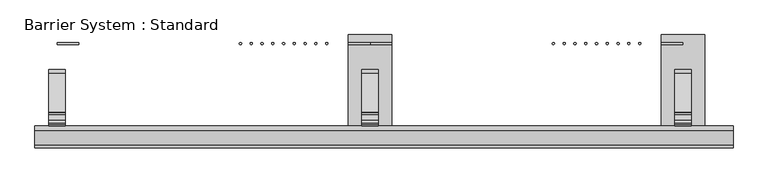
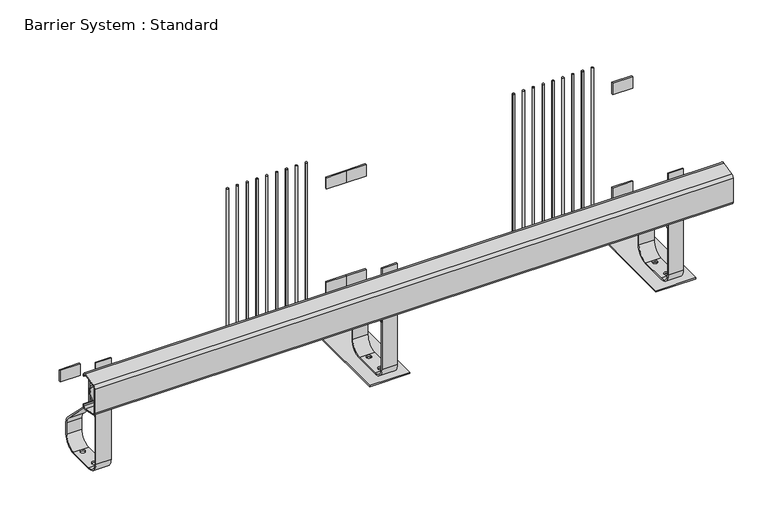
"""IFC4 building model written with IfcOpenShell, lengths in millimetres: proxy geometry, Barrier System : Standard."""

from ifc_helpers import new_model, si_unit, point, frame, frame_2d, origin, origin_with_axes, place, context, project, spatial, polyline, circle_curve, trimmed, segment, composite_curve, outline, extrude, source, transform, mapped, element, save
from ifc_brep_helpers import plane_surface, cylinder_surface, revolved_surface, advanced_brep


def barrier_system_standard_4bf32ca0(model_context):
    return source(origin(), model_context, "Body", "SolidModel", [
        extrude(outline(composite_curve([segment(polyline([(-468.6380344, 563.8404914), (-398.6380344, 581.3404914)]), True, "CONTINUOUS"), segment(trimmed(circle_curve(frame_2d((-395.0, 566.7883539)), 15.0), [point((-398.6380344, 581.3404914))], [point((-380.0, 566.7883539))], False, "CARTESIAN"), True, "CONTINUOUS"), segment(polyline([(-380.0, 566.7883539), (-380.0, 561.0), (-385.0, 561.0), (-385.0, 566.7883539)]), True, "CONTINUOUS"), segment(trimmed(circle_curve(frame_2d((-395.0, 566.7883539)), 10.0), [point((-385.0, 566.7883539))], [point((-397.4253563, 576.4897789))], True, "CARTESIAN"), True, "CONTINUOUS"), segment(polyline([(-397.4253563, 576.4897789), (-467.4253563, 558.9897789)]), True, "CONTINUOUS"), segment(trimmed(circle_curve(frame_2d((-465.0, 549.2883539)), 10.0), [point((-467.4253563, 558.9897789))], [point((-475.0, 549.2883539))], True, "CARTESIAN"), True, "CONTINUOUS"), segment(polyline([(-475.0, 549.2883539), (-475.0, 422.7116461)]), True, "CONTINUOUS"), segment(trimmed(circle_curve(frame_2d((-465.0, 422.7116461)), 10.0), [point((-475.0, 422.7116461))], [point((-467.4253563, 413.0102211))], True, "CARTESIAN"), True, "CONTINUOUS"), segment(polyline([(-467.4253563, 413.0102211), (-397.4253563, 395.5102211)]), True, "CONTINUOUS"), segment(trimmed(circle_curve(frame_2d((-395.0, 405.2116461)), 10.0), [point((-397.4253563, 395.5102211))], [point((-385.0, 405.2116461))], True, "CARTESIAN"), True, "CONTINUOUS"), segment(polyline([(-385.0, 405.2116461), (-385.0, 411.0), (-380.0, 411.0), (-380.0, 405.2116461)]), True, "CONTINUOUS"), segment(trimmed(circle_curve(frame_2d((-395.0, 405.2116461)), 15.0), [point((-380.0, 405.2116461))], [point((-398.6380344, 390.6595086))], False, "CARTESIAN"), True, "CONTINUOUS"), segment(polyline([(-398.6380344, 390.6595086), (-468.6380344, 408.1595086)]), True, "CONTINUOUS"), segment(trimmed(circle_curve(frame_2d((-465.0, 422.7116461)), 15.0), [point((-468.6380344, 408.1595086))], [point((-480.0, 422.7116461))], False, "CARTESIAN"), True, "CONTINUOUS"), segment(polyline([(-480.0, 422.7116461), (-480.0, 549.2883539)]), True, "CONTINUOUS"), segment(trimmed(circle_curve(frame_2d((-465.0, 549.2883539)), 15.0), [point((-480.0, 549.2883539))], [point((-468.6380344, 563.8404914))], False, "CARTESIAN"), True, "CONTINUOUS")], self_intersect=False)), frame((-101.5, 0.0, 0.0), z_axis=(1.0, 0.0, 0.0), x_axis=(0.0, 1.0, 0.0)), (0.0, 0.0, 1.0), 3203.0),
        extrude(outline(composite_curve([segment(trimmed(circle_curve(frame_2d((2672.736, 0.0)), 5.0), [point((2677.736, 0.0))], [point((2667.736, 0.0))], False, "CARTESIAN"), True, "CONTINUOUS"), segment(trimmed(circle_curve(frame_2d((2672.736, 0.0)), 5.0), [point((2667.736, 0.0))], [point((2677.736, 0.0))], False, "CARTESIAN"), True, "CONTINUOUS")], self_intersect=False)), frame((0.0, 0.0, 150.0), z_axis=(0.0, 0.0, 1.0), x_axis=(1.0, 0.0, 0.0)), (0.0, 0.0, 1.0), 845.0),
        extrude(outline(composite_curve([segment(trimmed(circle_curve(frame_2d((2623.304, 0.0)), 5.0), [point((2628.304, 0.0))], [point((2618.304, 0.0))], False, "CARTESIAN"), True, "CONTINUOUS"), segment(trimmed(circle_curve(frame_2d((2623.304, 0.0)), 5.0), [point((2618.304, 0.0))], [point((2628.304, 0.0))], False, "CARTESIAN"), True, "CONTINUOUS")], self_intersect=False)), frame((0.0, 0.0, 150.0), z_axis=(0.0, 0.0, 1.0), x_axis=(1.0, 0.0, 0.0)), (0.0, 0.0, 1.0), 845.0),
        extrude(outline(composite_curve([segment(trimmed(circle_curve(frame_2d((2573.872, 0.0)), 5.0), [point((2578.872, 0.0))], [point((2568.872, 0.0))], False, "CARTESIAN"), True, "CONTINUOUS"), segment(trimmed(circle_curve(frame_2d((2573.872, 0.0)), 5.0), [point((2568.872, 0.0))], [point((2578.872, 0.0))], False, "CARTESIAN"), True, "CONTINUOUS")], self_intersect=False)), frame((0.0, 0.0, 150.0), z_axis=(0.0, 0.0, 1.0), x_axis=(1.0, 0.0, 0.0)), (0.0, 0.0, 1.0), 845.0),
        extrude(outline(composite_curve([segment(trimmed(circle_curve(frame_2d((2524.44, 0.0)), 5.0), [point((2529.44, 0.0))], [point((2519.44, 0.0))], False, "CARTESIAN"), True, "CONTINUOUS"), segment(trimmed(circle_curve(frame_2d((2524.44, 0.0)), 5.0), [point((2519.44, 0.0))], [point((2529.44, 0.0))], False, "CARTESIAN"), True, "CONTINUOUS")], self_intersect=False)), frame((0.0, 0.0, 150.0), z_axis=(0.0, 0.0, 1.0), x_axis=(1.0, 0.0, 0.0)), (0.0, 0.0, 1.0), 845.0),
        extrude(outline(composite_curve([segment(trimmed(circle_curve(frame_2d((2475.008, 0.0)), 5.0), [point((2480.008, 0.0))], [point((2470.008, 0.0))], False, "CARTESIAN"), True, "CONTINUOUS"), segment(trimmed(circle_curve(frame_2d((2475.008, 0.0)), 5.0), [point((2470.008, 0.0))], [point((2480.008, 0.0))], False, "CARTESIAN"), True, "CONTINUOUS")], self_intersect=False)), frame((0.0, 0.0, 150.0), z_axis=(0.0, 0.0, 1.0), x_axis=(1.0, 0.0, 0.0)), (0.0, 0.0, 1.0), 845.0),
        extrude(outline(composite_curve([segment(trimmed(circle_curve(frame_2d((1236.936, 0.0)), 5.0), [point((1241.936, 0.0))], [point((1231.936, 0.0))], False, "CARTESIAN"), True, "CONTINUOUS"), segment(trimmed(circle_curve(frame_2d((1236.936, 0.0)), 5.0), [point((1231.936, 0.0))], [point((1241.936, 0.0))], False, "CARTESIAN"), True, "CONTINUOUS")], self_intersect=False)), frame((0.0, 0.0, 150.0), z_axis=(0.0, 0.0, 1.0), x_axis=(1.0, 0.0, 0.0)), (0.0, 0.0, 1.0), 845.0),
        extrude(outline(composite_curve([segment(trimmed(circle_curve(frame_2d((1187.504, 0.0)), 5.0), [point((1192.504, 0.0))], [point((1182.504, 0.0))], False, "CARTESIAN"), True, "CONTINUOUS"), segment(trimmed(circle_curve(frame_2d((1187.504, 0.0)), 5.0), [point((1182.504, 0.0))], [point((1192.504, 0.0))], False, "CARTESIAN"), True, "CONTINUOUS")], self_intersect=False)), frame((0.0, 0.0, 150.0), z_axis=(0.0, 0.0, 1.0), x_axis=(1.0, 0.0, 0.0)), (0.0, 0.0, 1.0), 845.0),
        extrude(outline(composite_curve([segment(trimmed(circle_curve(frame_2d((1138.072, 0.0)), 5.0), [point((1143.072, 0.0))], [point((1133.072, 0.0))], False, "CARTESIAN"), True, "CONTINUOUS"), segment(trimmed(circle_curve(frame_2d((1138.072, 0.0)), 5.0), [point((1133.072, 0.0))], [point((1143.072, 0.0))], False, "CARTESIAN"), True, "CONTINUOUS")], self_intersect=False)), frame((0.0, 0.0, 150.0), z_axis=(0.0, 0.0, 1.0), x_axis=(1.0, 0.0, 0.0)), (0.0, 0.0, 1.0), 845.0),
        extrude(outline(composite_curve([segment(trimmed(circle_curve(frame_2d((1088.64, 0.0)), 5.0), [point((1093.64, 0.0))], [point((1083.64, 0.0))], False, "CARTESIAN"), True, "CONTINUOUS"), segment(trimmed(circle_curve(frame_2d((1088.64, 0.0)), 5.0), [point((1083.64, 0.0))], [point((1093.64, 0.0))], False, "CARTESIAN"), True, "CONTINUOUS")], self_intersect=False)), frame((0.0, 0.0, 150.0), z_axis=(0.0, 0.0, 1.0), x_axis=(1.0, 0.0, 0.0)), (0.0, 0.0, 1.0), 845.0),
        extrude(outline(composite_curve([segment(trimmed(circle_curve(frame_2d((1039.208, 0.0)), 5.0), [point((1044.208, 0.0))], [point((1034.208, 0.0))], False, "CARTESIAN"), True, "CONTINUOUS"), segment(trimmed(circle_curve(frame_2d((1039.208, 0.0)), 5.0), [point((1034.208, 0.0))], [point((1044.208, 0.0))], False, "CARTESIAN"), True, "CONTINUOUS")], self_intersect=False)), frame((0.0, 0.0, 150.0), z_axis=(0.0, 0.0, 1.0), x_axis=(1.0, 0.0, 0.0)), (0.0, 0.0, 1.0), 845.0),
        extrude(outline(composite_curve([segment(trimmed(circle_curve(frame_2d((2425.576, 0.0)), 5.0), [point((2430.576, 0.0))], [point((2420.576, 0.0))], False, "CARTESIAN"), True, "CONTINUOUS"), segment(trimmed(circle_curve(frame_2d((2425.576, 0.0)), 5.0), [point((2420.576, 0.0))], [point((2430.576, 0.0))], False, "CARTESIAN"), True, "CONTINUOUS")], self_intersect=False)), frame((0.0, 0.0, 150.0), z_axis=(0.0, 0.0, 1.0), x_axis=(1.0, 0.0, 0.0)), (0.0, 0.0, 1.0), 845.0),
        extrude(outline(composite_curve([segment(trimmed(circle_curve(frame_2d((2376.144, 0.0)), 5.0), [point((2381.144, 0.0))], [point((2371.144, 0.0))], False, "CARTESIAN"), True, "CONTINUOUS"), segment(trimmed(circle_curve(frame_2d((2376.144, 0.0)), 5.0), [point((2371.144, 0.0))], [point((2381.144, 0.0))], False, "CARTESIAN"), True, "CONTINUOUS")], self_intersect=False)), frame((0.0, 0.0, 150.0), z_axis=(0.0, 0.0, 1.0), x_axis=(1.0, 0.0, 0.0)), (0.0, 0.0, 1.0), 845.0),
        extrude(outline(composite_curve([segment(trimmed(circle_curve(frame_2d((2326.712, 0.0)), 5.0), [point((2331.712, 0.0))], [point((2321.712, 0.0))], False, "CARTESIAN"), True, "CONTINUOUS"), segment(trimmed(circle_curve(frame_2d((2326.712, 0.0)), 5.0), [point((2321.712, 0.0))], [point((2331.712, 0.0))], False, "CARTESIAN"), True, "CONTINUOUS")], self_intersect=False)), frame((0.0, 0.0, 150.0), z_axis=(0.0, 0.0, 1.0), x_axis=(1.0, 0.0, 0.0)), (0.0, 0.0, 1.0), 845.0),
        extrude(outline(composite_curve([segment(trimmed(circle_curve(frame_2d((2277.28, 0.0)), 5.0), [point((2282.28, 0.0))], [point((2272.28, 0.0))], False, "CARTESIAN"), True, "CONTINUOUS"), segment(trimmed(circle_curve(frame_2d((2277.28, 0.0)), 5.0), [point((2272.28, 0.0))], [point((2282.28, 0.0))], False, "CARTESIAN"), True, "CONTINUOUS")], self_intersect=False)), frame((0.0, 0.0, 150.0), z_axis=(0.0, 0.0, 1.0), x_axis=(1.0, 0.0, 0.0)), (0.0, 0.0, 1.0), 845.0),
        extrude(outline(composite_curve([segment(trimmed(circle_curve(frame_2d((989.776, 0.0)), 5.0), [point((994.776, 0.0))], [point((984.776, 0.0))], False, "CARTESIAN"), True, "CONTINUOUS"), segment(trimmed(circle_curve(frame_2d((989.776, 0.0)), 5.0), [point((984.776, 0.0))], [point((994.776, 0.0))], False, "CARTESIAN"), True, "CONTINUOUS")], self_intersect=False)), frame((0.0, 0.0, 150.0), z_axis=(0.0, 0.0, 1.0), x_axis=(1.0, 0.0, 0.0)), (0.0, 0.0, 1.0), 845.0),
        extrude(outline(composite_curve([segment(trimmed(circle_curve(frame_2d((940.344, 0.0)), 5.0), [point((945.344, 0.0))], [point((935.344, 0.0))], False, "CARTESIAN"), True, "CONTINUOUS"), segment(trimmed(circle_curve(frame_2d((940.344, 0.0)), 5.0), [point((935.344, 0.0))], [point((945.344, 0.0))], False, "CARTESIAN"), True, "CONTINUOUS")], self_intersect=False)), frame((0.0, 0.0, 150.0), z_axis=(0.0, 0.0, 1.0), x_axis=(1.0, 0.0, 0.0)), (0.0, 0.0, 1.0), 845.0),
        extrude(outline(composite_curve([segment(trimmed(circle_curve(frame_2d((890.912, 0.0)), 5.0), [point((895.912, 0.0))], [point((885.912, 0.0))], False, "CARTESIAN"), True, "CONTINUOUS"), segment(trimmed(circle_curve(frame_2d((890.912, 0.0)), 5.0), [point((885.912, 0.0))], [point((895.912, 0.0))], False, "CARTESIAN"), True, "CONTINUOUS")], self_intersect=False)), frame((0.0, 0.0, 150.0), z_axis=(0.0, 0.0, 1.0), x_axis=(1.0, 0.0, 0.0)), (0.0, 0.0, 1.0), 845.0),
        extrude(outline(composite_curve([segment(trimmed(circle_curve(frame_2d((841.48, 0.0)), 5.0), [point((846.48, 0.0))], [point((836.48, 0.0))], False, "CARTESIAN"), True, "CONTINUOUS"), segment(trimmed(circle_curve(frame_2d((841.48, 0.0)), 5.0), [point((836.48, 0.0))], [point((846.48, 0.0))], False, "CARTESIAN"), True, "CONTINUOUS")], self_intersect=False)), frame((0.0, 0.0, 150.0), z_axis=(0.0, 0.0, 1.0), x_axis=(1.0, 0.0, 0.0)), (0.0, 0.0, 1.0), 845.0),
        extrude(outline(polyline([(2871.6, 4.0), (2871.6, -4.0), (2771.6, -4.0), (2771.6, 4.0), (2871.6, 4.0)])), frame((0.0, 0.0, 264.7058824), z_axis=(0.0, 0.0, 1.0), x_axis=(1.0, 0.0, 0.0)), (0.0, 0.0, 1.0), 60.0),
        extrude(outline(polyline([(2871.6, 4.0), (2871.6, -4.0), (2771.6, -4.0), (2771.6, 4.0), (2871.6, 4.0)])), frame((0.0, 0.0, 820.2941176), z_axis=(0.0, 0.0, 1.0), x_axis=(1.0, 0.0, 0.0)), (0.0, 0.0, 1.0), 60.0),
        extrude(outline(polyline([(1435.8, 4.0), (1435.8, -4.0), (1335.8, -4.0), (1335.8, 4.0), (1435.8, 4.0)])), frame((0.0, 0.0, 264.7058824), z_axis=(0.0, 0.0, 1.0), x_axis=(1.0, 0.0, 0.0)), (0.0, 0.0, 1.0), 60.0),
        extrude(outline(polyline([(1435.8, 4.0), (1435.8, -4.0), (1335.8, -4.0), (1335.8, 4.0), (1435.8, 4.0)])), frame((0.0, 0.0, 820.2941176), z_axis=(0.0, 0.0, 1.0), x_axis=(1.0, 0.0, 0.0)), (0.0, 0.0, 1.0), 60.0),
        extrude(outline(polyline([(1535.8, 4.0), (1535.8, -4.0), (1435.8, -4.0), (1435.8, 4.0), (1535.8, 4.0)])), frame((0.0, 0.0, 264.7058824), z_axis=(0.0, 0.0, 1.0), x_axis=(1.0, 0.0, 0.0)), (0.0, 0.0, 1.0), 60.0),
        extrude(outline(polyline([(100.0, 4.0), (100.0, -4.0), (0.0, -4.0), (0.0, 4.0), (100.0, 4.0)])), frame((0.0, 0.0, 264.7058824), z_axis=(0.0, 0.0, 1.0), x_axis=(1.0, 0.0, 0.0)), (0.0, 0.0, 1.0), 60.0),
        extrude(outline(polyline([(1535.8, 4.0), (1535.8, -4.0), (1435.8, -4.0), (1435.8, 4.0), (1535.8, 4.0)])), frame((0.0, 0.0, 820.2941176), z_axis=(0.0, 0.0, 1.0), x_axis=(1.0, 0.0, 0.0)), (0.0, 0.0, 1.0), 60.0),
        extrude(outline(composite_curve([segment(polyline([(-374.0, 537.5507325), (-368.0, 537.5507325), (-368.0, 492.5507325)]), True, "CONTINUOUS"), segment(trimmed(circle_curve(frame_2d((-344.0, 492.5507325)), 24.0), [point((-368.0, 492.5507325))], [point((-353.8630137, 470.6710396))], True, "CARTESIAN"), True, "CONTINUOUS"), segment(trimmed(circle_curve(frame_2d((-374.0, 426.0)), 49.0), [point((-353.8630137, 470.6710396))], [point((-353.8630137, 381.3289604))], False, "CARTESIAN"), True, "CONTINUOUS"), segment(trimmed(circle_curve(frame_2d((-344.0, 359.4492675)), 24.0), [point((-353.8630137, 381.3289604))], [point((-368.0, 359.4492675))], True, "CARTESIAN"), True, "CONTINUOUS"), segment(polyline([(-368.0, 359.4492675), (-368.0, 314.4492675), (-374.0, 314.4492675), (-374.0, 359.4492675)]), True, "CONTINUOUS"), segment(trimmed(circle_curve(frame_2d((-344.0, 359.4492675)), 30.0), [point((-374.0, 359.4492675))], [point((-356.3287671, 386.7988836))], False, "CARTESIAN"), True, "CONTINUOUS"), segment(trimmed(circle_curve(frame_2d((-374.0, 426.0)), 43.0), [point((-356.3287671, 386.7988836))], [point((-356.3287671, 465.2011164))], True, "CARTESIAN"), True, "CONTINUOUS"), segment(trimmed(circle_curve(frame_2d((-344.0, 492.5507325)), 30.0), [point((-356.3287671, 465.2011164))], [point((-374.0, 492.5507325))], False, "CARTESIAN"), True, "CONTINUOUS"), segment(polyline([(-374.0, 492.5507325), (-374.0, 537.5507325)]), True, "CONTINUOUS")], self_intersect=False)), frame((2833.6, 0.0, 0.0), z_axis=(1.0, 0.0, 0.0), x_axis=(0.0, 1.0, 0.0)), (0.0, 0.0, 1.0), 76.0),
        advanced_brep(
        [(2909.6, -374.0, 606.0), (2833.6, -374.0, 606.0), (2833.6, -380.0, 606.0), (2909.6, -380.0, 606.0), (2909.6, -374.0, 69.0), (2833.6, -374.0, 69.0), (2833.6, -320.0, 15.0), (2833.6, -185.0, 15.0), (2833.6, -126.0, 74.0), (2833.6, -126.0, 135.2893219), (2833.6, -138.8873016, 166.4020203), (2833.6, -319.8492424, 347.363961), (2833.6, -326.0, 362.2132034), (2833.6, -326.0, 496.0), (2833.6, -320.0, 496.0), (2833.6, -320.0, 362.2132034), (2833.6, -315.6066017, 351.6066017), (2833.6, -134.6446609, 170.6446609), (2833.6, -120.0, 135.2893219), (2833.6, -120.0, 74.0), (2833.6, -185.0, 9.0), (2833.6, -320.0, 9.0), (2833.6, -380.0, 69.0), (2909.6, -380.0, 69.0), (2909.6, -320.0, 9.0), (2909.6, -185.0, 9.0), (2909.6, -120.0, 74.0), (2909.6, -120.0, 135.2893219), (2909.6, -134.6446609, 170.6446609), (2909.6, -315.6066017, 351.6066017), (2909.6, -320.0, 362.2132034), (2909.6, -320.0, 496.0), (2909.6, -326.0, 496.0), (2909.6, -326.0, 362.2132034), (2909.6, -319.8492424, 347.363961), (2909.6, -138.8873016, 166.4020203), (2909.6, -126.0, 135.2893219), (2909.6, -126.0, 74.0), (2909.6, -185.0, 15.0), (2909.6, -320.0, 15.0), (2883.6, -300.0, 15.0), (2859.6, -300.0, 15.0), (2883.6, -200.0, 15.0), (2859.6, -200.0, 15.0), (2859.6, -300.0, 9.0), (2883.6, -300.0, 9.0), (2859.6, -200.0, 9.0), (2883.6, -200.0, 9.0)],
        [
            (0, 1),
            (1, 2),
            (2, 3),
            (3, 0),
            (0, 4),
            (4, 5),
            (5, 1),
            (5, 6, circle_curve(frame((2833.6, -320.0, 69.0), z_axis=(1.0, 0.0, 0.0), x_axis=(0.0, -1.0, 0.0)), 54.0)),
            (6, 7),
            (7, 8, circle_curve(frame((2833.6, -185.0, 74.0), z_axis=(1.0, 0.0, 0.0), x_axis=(0.0, 0.0, -1.0)), 59.0)),
            (8, 9),
            (9, 10, circle_curve(frame((2833.6, -170.0, 135.2893219), z_axis=(1.0, 0.0, 0.0), x_axis=(0.0, 1.0, 0.0)), 44.0)),
            (10, 11),
            (11, 12, circle_curve(frame((2833.6, -305.0, 362.2132034), z_axis=(-1.0, 0.0, 0.0), x_axis=(0.0, -0.7071067811865497, -0.7071067811865455)), 21.0)),
            (12, 13),
            (13, 14),
            (14, 15),
            (15, 16, circle_curve(frame((2833.6, -305.0, 362.2132034), z_axis=(1.0, 0.0, 0.0), x_axis=(0.0, -0.7071067811865497, -0.7071067811865455)), 15.0)),
            (16, 17),
            (17, 18, circle_curve(frame((2833.6, -170.0, 135.2893219), z_axis=(-1.0, 0.0, 0.0), x_axis=(0.0, 1.0, 0.0)), 50.0)),
            (18, 19),
            (19, 20, circle_curve(frame((2833.6, -185.0, 74.0), z_axis=(-1.0, 0.0, 0.0), x_axis=(0.0, 0.0, -1.0)), 65.0)),
            (20, 21),
            (21, 22, circle_curve(frame((2833.6, -320.0, 69.0), z_axis=(-1.0, 0.0, 0.0), x_axis=(0.0, -1.0, 0.0)), 60.0)),
            (22, 2),
            (22, 23),
            (23, 3),
            (23, 24, circle_curve(frame((2909.6, -320.0, 69.0), z_axis=(1.0, 0.0, 0.0), x_axis=(0.0, -1.0, 0.0)), 60.0)),
            (24, 25),
            (25, 26, circle_curve(frame((2909.6, -185.0, 74.0), z_axis=(1.0, 0.0, 0.0), x_axis=(0.0, 0.0, -1.0)), 65.0)),
            (26, 27),
            (27, 28, circle_curve(frame((2909.6, -170.0, 135.2893219), z_axis=(1.0, 0.0, 0.0), x_axis=(0.0, 1.0, 0.0)), 50.0)),
            (28, 29),
            (29, 30, circle_curve(frame((2909.6, -305.0, 362.2132034), z_axis=(-1.0, 0.0, 0.0), x_axis=(0.0, -0.7071067811865497, -0.7071067811865455)), 15.0)),
            (30, 31),
            (31, 32),
            (32, 33),
            (33, 34, circle_curve(frame((2909.6, -305.0, 362.2132034), z_axis=(1.0, 0.0, 0.0), x_axis=(0.0, -0.7071067811865497, -0.7071067811865455)), 21.0)),
            (34, 35),
            (35, 36, circle_curve(frame((2909.6, -170.0, 135.2893219), z_axis=(-1.0, 0.0, 0.0), x_axis=(0.0, 1.0, 0.0)), 44.0)),
            (36, 37),
            (37, 38, circle_curve(frame((2909.6, -185.0, 74.0), z_axis=(-1.0, 0.0, 0.0), x_axis=(0.0, 0.0, -1.0)), 59.0)),
            (38, 39),
            (39, 4, circle_curve(frame((2909.6, -320.0, 69.0), z_axis=(-1.0, 0.0, 0.0), x_axis=(0.0, -1.0, 0.0)), 54.0)),
            (39, 6),
            (21, 24),
            (38, 7),
            (40, 41, circle_curve(frame((2871.6, -300.0, 15.0), z_axis=(0.0, 0.0, -1.0), x_axis=(1.0, 0.0, 0.0)), 12.0)),
            (41, 40, circle_curve(frame((2871.6, -300.0, 15.0), z_axis=(0.0, 0.0, -1.0), x_axis=(1.0, 0.0, 0.0)), 12.0)),
            (42, 43, circle_curve(frame((2871.6, -200.0, 15.0), z_axis=(0.0, 0.0, -1.0), x_axis=(1.0, 0.0, 0.0)), 12.0)),
            (43, 42, circle_curve(frame((2871.6, -200.0, 15.0), z_axis=(0.0, 0.0, -1.0), x_axis=(1.0, 0.0, 0.0)), 12.0)),
            (20, 25),
            (44, 45, circle_curve(frame((2871.6, -300.0, 9.0), z_axis=(0.0, 0.0, 1.0), x_axis=(1.0, 0.0, 0.0)), 12.0)),
            (45, 44, circle_curve(frame((2871.6, -300.0, 9.0), z_axis=(0.0, 0.0, 1.0), x_axis=(1.0, 0.0, 0.0)), 12.0)),
            (46, 47, circle_curve(frame((2871.6, -200.0, 9.0), z_axis=(0.0, 0.0, 1.0), x_axis=(1.0, 0.0, 0.0)), 12.0)),
            (47, 46, circle_curve(frame((2871.6, -200.0, 9.0), z_axis=(0.0, 0.0, 1.0), x_axis=(1.0, 0.0, 0.0)), 12.0)),
            (37, 8),
            (19, 26),
            (36, 9),
            (18, 27),
            (35, 10),
            (17, 28),
            (34, 11),
            (16, 29),
            (33, 12),
            (15, 30),
            (13, 32),
            (31, 14),
            (40, 45),
            (44, 41),
            (42, 47),
            (46, 43),
        ],
        [
            plane_surface(frame((2871.6, -380.0, 606.0), z_axis=(0.0, 0.0, 1.0), x_axis=(1.0, 0.0, 0.0))),
            plane_surface(frame((2909.6, -374.0, 606.0), z_axis=(0.0, 1.0, 0.0), x_axis=(0.0, 0.0, -1.0))),
            plane_surface(frame((2833.6, -374.0, 606.0), z_axis=(-1.0, 0.0, 0.0), x_axis=(0.0, 0.0, -1.0))),
            plane_surface(frame((2833.6, -380.0, 606.0), z_axis=(0.0, -1.0, 0.0), x_axis=(0.0, 0.0, -1.0))),
            plane_surface(frame((2909.6, -380.0, 606.0), z_axis=(1.0, 0.0, 0.0), x_axis=(0.0, 0.0, -1.0))),
            revolved_surface(polyline([(2909.6, -374.0, 69.0), (2833.6, -374.0, 69.0)]), (2871.6, -320.0, 69.0), (1.0, 0.0, 0.0)),
            cylinder_surface(frame((2871.6, -320.0, 69.0), z_axis=(1.0, 0.0, 0.0), x_axis=(0.0, -1.0, 0.0)), 60.0),
            plane_surface(frame((2909.6, -320.0, 15.0), z_axis=(0.0, 0.0, 1.0), x_axis=(0.0, 1.0, 0.0))),
            plane_surface(frame((2833.6, -320.0, 9.0), z_axis=(0.0, 0.0, -1.0), x_axis=(0.0, 1.0, 0.0))),
            revolved_surface(polyline([(2909.6, -185.0, 15.0), (2833.6, -185.0, 15.0)]), (2871.6, -185.0, 74.0), (1.0, 0.0, 0.0)),
            cylinder_surface(frame((2871.6, -185.0, 74.0), z_axis=(1.0, 0.0, 0.0), x_axis=(0.0, 0.0, -1.0)), 65.0),
            plane_surface(frame((2909.6, -126.0, 74.0), z_axis=(0.0, -1.0, 0.0), x_axis=(0.0, 0.0, 1.0))),
            plane_surface(frame((2833.6, -120.0, 74.0), z_axis=(0.0, 1.0, 0.0), x_axis=(0.0, 0.0, 1.0))),
            revolved_surface(polyline([(2909.6, -126.0, 135.2893219), (2833.6, -126.0, 135.2893219)]), (2871.6, -170.0, 135.2893219), (1.0, 0.0, 0.0)),
            cylinder_surface(frame((2871.6, -170.0, 135.2893219), z_axis=(1.0, 0.0, 0.0), x_axis=(0.0, 1.0, 0.0)), 50.0),
            plane_surface(frame((2909.6, -138.8873016, 166.4020203), z_axis=(0.0, -0.7071067811865492, -0.7071067811865459), x_axis=(0.0, -0.7071067811865459, 0.7071067811865492))),
            plane_surface(frame((2833.6, -134.6446609, 170.6446609), z_axis=(0.0, 0.707106781186549, 0.707106781186546), x_axis=(0.0, -0.707106781186546, 0.707106781186549))),
            cylinder_surface(frame((2871.6, -305.0, 362.2132034), z_axis=(-1.0, 0.0, 0.0), x_axis=(0.0, -0.7071067811865497, -0.7071067811865455)), 21.0),
            revolved_surface(polyline([(2833.6, -315.60660171779824, 351.6066016822018), (2909.6, -315.60660171779824, 351.6066016822018)]), (2871.6, -305.0, 362.2132034), (-1.0, 0.0, 0.0)),
            plane_surface(frame((2871.6, -320.0, 496.0), z_axis=(0.0, 0.0, 1.0), x_axis=(1.0, 0.0, 0.0))),
            plane_surface(frame((2909.6, -326.0, 362.2132034), z_axis=(0.0, -1.0, 0.0), x_axis=(0.0, 0.0, 1.0))),
            plane_surface(frame((2833.6, -320.0, 362.2132034), z_axis=(0.0, 1.0, 0.0), x_axis=(0.0, 0.0, 1.0))),
            revolved_surface(polyline([(2883.6, -300.0, 15.0), (2883.6, -300.0, 9.0)]), (2871.6, -300.0, 9.0), (0.0, 0.0, 1.0)),
            revolved_surface(polyline([(2883.6, -200.0, 15.0), (2883.6, -200.0, 9.0)]), (2871.6, -200.0, 0.0), (0.0, 0.0, 1.0)),
        ],
        [
            (0, [[1, 2, 3, 4]]),
            (1, [[-1, 5, 6, 7]]),
            (2, [[-2, -7, 8, 9, 10, 11, 12, 13, 14, 15, 16, 17, 18, 19, 20, 21, 22, 23, 24, 25]]),
            (3, [[-3, -25, 26, 27]]),
            (4, [[-4, -27, 28, 29, 30, 31, 32, 33, 34, 35, 36, 37, 38, 39, 40, 41, 42, 43, 44, -5]]),
            (5, [[-6, -44, 45, -8]]),
            (6, [[-24, 46, -28, -26]]),
            (7, [[-9, -45, -43, 47], [48, 49], [50, 51]]),
            (8, [[-23, 52, -29, -46], [53, 54], [55, 56]]),
            (9, [[-10, -47, -42, 57]]),
            (10, [[-22, 58, -30, -52]]),
            (11, [[-11, -57, -41, 59]]),
            (12, [[-21, 60, -31, -58]]),
            (13, [[-12, -59, -40, 61]]),
            (14, [[-20, 62, -32, -60]]),
            (15, [[-13, -61, -39, 63]]),
            (16, [[-19, 64, -33, -62]]),
            (17, [[-14, -63, -38, 65]]),
            (18, [[-18, 66, -34, -64]]),
            (19, [[-16, 67, -36, 68]]),
            (20, [[-15, -65, -37, -67]]),
            (21, [[-17, -68, -35, -66]]),
            (22, [[69, -53, 70, -48]]),
            (22, [[-69, -49, -70, -54]]),
            (23, [[71, -55, 72, -50]]),
            (23, [[-71, -51, -72, -56]]),
        ],
    ),
        extrude(outline(polyline([(2971.6, 40.0), (2971.6, -380.0), (2771.6, -380.0), (2771.6, 40.0), (2971.6, 40.0)]), holes=[composite_curve([segment(trimmed(circle_curve(frame_2d((2871.6, -200.0)), 10.0), [point((2861.6, -200.0))], [point((2881.6, -200.0))], True, "CARTESIAN"), True, "CONTINUOUS"), segment(trimmed(circle_curve(frame_2d((2871.6, -200.0)), 10.0), [point((2881.6, -200.0))], [point((2861.6, -200.0))], True, "CARTESIAN"), True, "CONTINUOUS")], self_intersect=False), composite_curve([segment(trimmed(circle_curve(frame_2d((2871.6, -300.0)), 10.0), [point((2861.6, -300.0))], [point((2881.6, -300.0))], True, "CARTESIAN"), True, "CONTINUOUS"), segment(trimmed(circle_curve(frame_2d((2871.6, -300.0)), 10.0), [point((2881.6, -300.0))], [point((2861.6, -300.0))], True, "CARTESIAN"), True, "CONTINUOUS")], self_intersect=False)]), origin_with_axes(), (0.0, 0.0, 1.0), 6.0),
        extrude(outline(composite_curve([segment(polyline([(-374.0, 537.5507325), (-368.0, 537.5507325), (-368.0, 492.5507325)]), True, "CONTINUOUS"), segment(trimmed(circle_curve(frame_2d((-344.0, 492.5507325)), 24.0), [point((-368.0, 492.5507325))], [point((-353.8630137, 470.6710396))], True, "CARTESIAN"), True, "CONTINUOUS"), segment(trimmed(circle_curve(frame_2d((-374.0, 426.0)), 49.0), [point((-353.8630137, 470.6710396))], [point((-353.8630137, 381.3289604))], False, "CARTESIAN"), True, "CONTINUOUS"), segment(trimmed(circle_curve(frame_2d((-344.0, 359.4492675)), 24.0), [point((-353.8630137, 381.3289604))], [point((-368.0, 359.4492675))], True, "CARTESIAN"), True, "CONTINUOUS"), segment(polyline([(-368.0, 359.4492675), (-368.0, 314.4492675), (-374.0, 314.4492675), (-374.0, 359.4492675)]), True, "CONTINUOUS"), segment(trimmed(circle_curve(frame_2d((-344.0, 359.4492675)), 30.0), [point((-374.0, 359.4492675))], [point((-356.3287671, 386.7988836))], False, "CARTESIAN"), True, "CONTINUOUS"), segment(trimmed(circle_curve(frame_2d((-374.0, 426.0)), 43.0), [point((-356.3287671, 386.7988836))], [point((-356.3287671, 465.2011164))], True, "CARTESIAN"), True, "CONTINUOUS"), segment(trimmed(circle_curve(frame_2d((-344.0, 492.5507325)), 30.0), [point((-356.3287671, 465.2011164))], [point((-374.0, 492.5507325))], False, "CARTESIAN"), True, "CONTINUOUS"), segment(polyline([(-374.0, 492.5507325), (-374.0, 537.5507325)]), True, "CONTINUOUS")], self_intersect=False)), frame((1397.8, 0.0, 0.0), z_axis=(1.0, 0.0, 0.0), x_axis=(0.0, 1.0, 0.0)), (0.0, 0.0, 1.0), 76.0),
        advanced_brep(
        [(1473.8, -374.0, 606.0), (1397.8, -374.0, 606.0), (1397.8, -380.0, 606.0), (1473.8, -380.0, 606.0), (1473.8, -374.0, 69.0), (1397.8, -374.0, 69.0), (1397.8, -320.0, 15.0), (1397.8, -185.0, 15.0), (1397.8, -126.0, 74.0), (1397.8, -126.0, 135.2893219), (1397.8, -138.8873016, 166.4020203), (1397.8, -319.8492424, 347.363961), (1397.8, -326.0, 362.2132034), (1397.8, -326.0, 496.0), (1397.8, -320.0, 496.0), (1397.8, -320.0, 362.2132034), (1397.8, -315.6066017, 351.6066017), (1397.8, -134.6446609, 170.6446609), (1397.8, -120.0, 135.2893219), (1397.8, -120.0, 74.0), (1397.8, -185.0, 9.0), (1397.8, -320.0, 9.0), (1397.8, -380.0, 69.0), (1473.8, -380.0, 69.0), (1473.8, -320.0, 9.0), (1473.8, -185.0, 9.0), (1473.8, -120.0, 74.0), (1473.8, -120.0, 135.2893219), (1473.8, -134.6446609, 170.6446609), (1473.8, -315.6066017, 351.6066017), (1473.8, -320.0, 362.2132034), (1473.8, -320.0, 496.0), (1473.8, -326.0, 496.0), (1473.8, -326.0, 362.2132034), (1473.8, -319.8492424, 347.363961), (1473.8, -138.8873016, 166.4020203), (1473.8, -126.0, 135.2893219), (1473.8, -126.0, 74.0), (1473.8, -185.0, 15.0), (1473.8, -320.0, 15.0), (1447.8, -300.0, 15.0), (1423.8, -300.0, 15.0), (1447.8, -200.0, 15.0), (1423.8, -200.0, 15.0), (1423.8, -300.0, 9.0), (1447.8, -300.0, 9.0), (1423.8, -200.0, 9.0), (1447.8, -200.0, 9.0)],
        [
            (0, 1),
            (1, 2),
            (2, 3),
            (3, 0),
            (0, 4),
            (4, 5),
            (5, 1),
            (5, 6, circle_curve(frame((1397.8, -320.0, 69.0), z_axis=(1.0, 0.0, 0.0), x_axis=(0.0, -1.0, 0.0)), 54.0)),
            (6, 7),
            (7, 8, circle_curve(frame((1397.8, -185.0, 74.0), z_axis=(1.0, 0.0, 0.0), x_axis=(0.0, 0.0, -1.0)), 59.0)),
            (8, 9),
            (9, 10, circle_curve(frame((1397.8, -170.0, 135.2893219), z_axis=(1.0, 0.0, 0.0), x_axis=(0.0, 1.0, 0.0)), 44.0)),
            (10, 11),
            (11, 12, circle_curve(frame((1397.8, -305.0, 362.2132034), z_axis=(-1.0, 0.0, 0.0), x_axis=(0.0, -0.7071067811865497, -0.7071067811865455)), 21.0)),
            (12, 13),
            (13, 14),
            (14, 15),
            (15, 16, circle_curve(frame((1397.8, -305.0, 362.2132034), z_axis=(1.0, 0.0, 0.0), x_axis=(0.0, -0.7071067811865497, -0.7071067811865455)), 15.0)),
            (16, 17),
            (17, 18, circle_curve(frame((1397.8, -170.0, 135.2893219), z_axis=(-1.0, 0.0, 0.0), x_axis=(0.0, 1.0, 0.0)), 50.0)),
            (18, 19),
            (19, 20, circle_curve(frame((1397.8, -185.0, 74.0), z_axis=(-1.0, 0.0, 0.0), x_axis=(0.0, 0.0, -1.0)), 65.0)),
            (20, 21),
            (21, 22, circle_curve(frame((1397.8, -320.0, 69.0), z_axis=(-1.0, 0.0, 0.0), x_axis=(0.0, -1.0, 0.0)), 60.0)),
            (22, 2),
            (22, 23),
            (23, 3),
            (23, 24, circle_curve(frame((1473.8, -320.0, 69.0), z_axis=(1.0, 0.0, 0.0), x_axis=(0.0, -1.0, 0.0)), 60.0)),
            (24, 25),
            (25, 26, circle_curve(frame((1473.8, -185.0, 74.0), z_axis=(1.0, 0.0, 0.0), x_axis=(0.0, 0.0, -1.0)), 65.0)),
            (26, 27),
            (27, 28, circle_curve(frame((1473.8, -170.0, 135.2893219), z_axis=(1.0, 0.0, 0.0), x_axis=(0.0, 1.0, 0.0)), 50.0)),
            (28, 29),
            (29, 30, circle_curve(frame((1473.8, -305.0, 362.2132034), z_axis=(-1.0, 0.0, 0.0), x_axis=(0.0, -0.7071067811865497, -0.7071067811865455)), 15.0)),
            (30, 31),
            (31, 32),
            (32, 33),
            (33, 34, circle_curve(frame((1473.8, -305.0, 362.2132034), z_axis=(1.0, 0.0, 0.0), x_axis=(0.0, -0.7071067811865497, -0.7071067811865455)), 21.0)),
            (34, 35),
            (35, 36, circle_curve(frame((1473.8, -170.0, 135.2893219), z_axis=(-1.0, 0.0, 0.0), x_axis=(0.0, 1.0, 0.0)), 44.0)),
            (36, 37),
            (37, 38, circle_curve(frame((1473.8, -185.0, 74.0), z_axis=(-1.0, 0.0, 0.0), x_axis=(0.0, 0.0, -1.0)), 59.0)),
            (38, 39),
            (39, 4, circle_curve(frame((1473.8, -320.0, 69.0), z_axis=(-1.0, 0.0, 0.0), x_axis=(0.0, -1.0, 0.0)), 54.0)),
            (39, 6),
            (21, 24),
            (38, 7),
            (40, 41, circle_curve(frame((1435.8, -300.0, 15.0), z_axis=(0.0, 0.0, -1.0), x_axis=(1.0, 0.0, 0.0)), 12.0)),
            (41, 40, circle_curve(frame((1435.8, -300.0, 15.0), z_axis=(0.0, 0.0, -1.0), x_axis=(1.0, 0.0, 0.0)), 12.0)),
            (42, 43, circle_curve(frame((1435.8, -200.0, 15.0), z_axis=(0.0, 0.0, -1.0), x_axis=(1.0, 0.0, 0.0)), 12.0)),
            (43, 42, circle_curve(frame((1435.8, -200.0, 15.0), z_axis=(0.0, 0.0, -1.0), x_axis=(1.0, 0.0, 0.0)), 12.0)),
            (20, 25),
            (44, 45, circle_curve(frame((1435.8, -300.0, 9.0), z_axis=(0.0, 0.0, 1.0), x_axis=(1.0, 0.0, 0.0)), 12.0)),
            (45, 44, circle_curve(frame((1435.8, -300.0, 9.0), z_axis=(0.0, 0.0, 1.0), x_axis=(1.0, 0.0, 0.0)), 12.0)),
            (46, 47, circle_curve(frame((1435.8, -200.0, 9.0), z_axis=(0.0, 0.0, 1.0), x_axis=(1.0, 0.0, 0.0)), 12.0)),
            (47, 46, circle_curve(frame((1435.8, -200.0, 9.0), z_axis=(0.0, 0.0, 1.0), x_axis=(1.0, 0.0, 0.0)), 12.0)),
            (37, 8),
            (19, 26),
            (36, 9),
            (18, 27),
            (35, 10),
            (17, 28),
            (34, 11),
            (16, 29),
            (33, 12),
            (15, 30),
            (13, 32),
            (31, 14),
            (40, 45),
            (44, 41),
            (42, 47),
            (46, 43),
        ],
        [
            plane_surface(frame((1435.8, -380.0, 606.0), z_axis=(0.0, 0.0, 1.0), x_axis=(1.0, 0.0, 0.0))),
            plane_surface(frame((1473.8, -374.0, 606.0), z_axis=(0.0, 1.0, 0.0), x_axis=(0.0, 0.0, -1.0))),
            plane_surface(frame((1397.8, -374.0, 606.0), z_axis=(-1.0, 0.0, 0.0), x_axis=(0.0, 0.0, -1.0))),
            plane_surface(frame((1397.8, -380.0, 606.0), z_axis=(0.0, -1.0, 0.0), x_axis=(0.0, 0.0, -1.0))),
            plane_surface(frame((1473.8, -380.0, 606.0), z_axis=(1.0, 0.0, 0.0), x_axis=(0.0, 0.0, -1.0))),
            revolved_surface(polyline([(1473.8, -374.0, 69.0), (1397.8, -374.0, 69.0)]), (1435.8, -320.0, 69.0), (1.0, 0.0, 0.0)),
            cylinder_surface(frame((1435.8, -320.0, 69.0), z_axis=(1.0, 0.0, 0.0), x_axis=(0.0, -1.0, 0.0)), 60.0),
            plane_surface(frame((1473.8, -320.0, 15.0), z_axis=(0.0, 0.0, 1.0), x_axis=(0.0, 1.0, 0.0))),
            plane_surface(frame((1397.8, -320.0, 9.0), z_axis=(0.0, 0.0, -1.0), x_axis=(0.0, 1.0, 0.0))),
            revolved_surface(polyline([(1473.8, -185.0, 15.0), (1397.8, -185.0, 15.0)]), (1435.8, -185.0, 74.0), (1.0, 0.0, 0.0)),
            cylinder_surface(frame((1435.8, -185.0, 74.0), z_axis=(1.0, 0.0, 0.0), x_axis=(0.0, 0.0, -1.0)), 65.0),
            plane_surface(frame((1473.8, -126.0, 74.0), z_axis=(0.0, -1.0, 0.0), x_axis=(0.0, 0.0, 1.0))),
            plane_surface(frame((1397.8, -120.0, 74.0), z_axis=(0.0, 1.0, 0.0), x_axis=(0.0, 0.0, 1.0))),
            revolved_surface(polyline([(1473.8, -126.0, 135.2893219), (1397.8, -126.0, 135.2893219)]), (1435.8, -170.0, 135.2893219), (1.0, 0.0, 0.0)),
            cylinder_surface(frame((1435.8, -170.0, 135.2893219), z_axis=(1.0, 0.0, 0.0), x_axis=(0.0, 1.0, 0.0)), 50.0),
            plane_surface(frame((1473.8, -138.8873016, 166.4020203), z_axis=(0.0, -0.7071067811865492, -0.7071067811865459), x_axis=(0.0, -0.7071067811865459, 0.7071067811865492))),
            plane_surface(frame((1397.8, -134.6446609, 170.6446609), z_axis=(0.0, 0.707106781186549, 0.707106781186546), x_axis=(0.0, -0.707106781186546, 0.707106781186549))),
            cylinder_surface(frame((1435.8, -305.0, 362.2132034), z_axis=(-1.0, 0.0, 0.0), x_axis=(0.0, -0.7071067811865497, -0.7071067811865455)), 21.0),
            revolved_surface(polyline([(1397.8, -315.60660171779824, 351.6066016822018), (1473.8, -315.60660171779824, 351.6066016822018)]), (1435.8, -305.0, 362.2132034), (-1.0, 0.0, 0.0)),
            plane_surface(frame((1435.8, -320.0, 496.0), z_axis=(0.0, 0.0, 1.0), x_axis=(1.0, 0.0, 0.0))),
            plane_surface(frame((1473.8, -326.0, 362.2132034), z_axis=(0.0, -1.0, 0.0), x_axis=(0.0, 0.0, 1.0))),
            plane_surface(frame((1397.8, -320.0, 362.2132034), z_axis=(0.0, 1.0, 0.0), x_axis=(0.0, 0.0, 1.0))),
            revolved_surface(polyline([(1447.8, -300.0, 15.0), (1447.8, -300.0, 9.0)]), (1435.8, -300.0, 9.0), (0.0, 0.0, 1.0)),
            revolved_surface(polyline([(1447.8, -200.0, 15.0), (1447.8, -200.0, 9.0)]), (1435.8, -200.0, 0.0), (0.0, 0.0, 1.0)),
        ],
        [
            (0, [[1, 2, 3, 4]]),
            (1, [[-1, 5, 6, 7]]),
            (2, [[-2, -7, 8, 9, 10, 11, 12, 13, 14, 15, 16, 17, 18, 19, 20, 21, 22, 23, 24, 25]]),
            (3, [[-3, -25, 26, 27]]),
            (4, [[-4, -27, 28, 29, 30, 31, 32, 33, 34, 35, 36, 37, 38, 39, 40, 41, 42, 43, 44, -5]]),
            (5, [[-6, -44, 45, -8]]),
            (6, [[-24, 46, -28, -26]]),
            (7, [[-9, -45, -43, 47], [48, 49], [50, 51]]),
            (8, [[-23, 52, -29, -46], [53, 54], [55, 56]]),
            (9, [[-10, -47, -42, 57]]),
            (10, [[-22, 58, -30, -52]]),
            (11, [[-11, -57, -41, 59]]),
            (12, [[-21, 60, -31, -58]]),
            (13, [[-12, -59, -40, 61]]),
            (14, [[-20, 62, -32, -60]]),
            (15, [[-13, -61, -39, 63]]),
            (16, [[-19, 64, -33, -62]]),
            (17, [[-14, -63, -38, 65]]),
            (18, [[-18, 66, -34, -64]]),
            (19, [[-16, 67, -36, 68]]),
            (20, [[-15, -65, -37, -67]]),
            (21, [[-17, -68, -35, -66]]),
            (22, [[69, -53, 70, -48]]),
            (22, [[-69, -49, -70, -54]]),
            (23, [[71, -55, 72, -50]]),
            (23, [[-71, -51, -72, -56]]),
        ],
    ),
        extrude(outline(polyline([(1535.8, 40.0), (1535.8, -380.0), (1335.8, -380.0), (1335.8, 40.0), (1535.8, 40.0)]), holes=[composite_curve([segment(trimmed(circle_curve(frame_2d((1435.8, -200.0)), 10.0), [point((1425.8, -200.0))], [point((1445.8, -200.0))], True, "CARTESIAN"), True, "CONTINUOUS"), segment(trimmed(circle_curve(frame_2d((1435.8, -200.0)), 10.0), [point((1445.8, -200.0))], [point((1425.8, -200.0))], True, "CARTESIAN"), True, "CONTINUOUS")], self_intersect=False), composite_curve([segment(trimmed(circle_curve(frame_2d((1435.8, -300.0)), 10.0), [point((1425.8, -300.0))], [point((1445.8, -300.0))], True, "CARTESIAN"), True, "CONTINUOUS"), segment(trimmed(circle_curve(frame_2d((1435.8, -300.0)), 10.0), [point((1445.8, -300.0))], [point((1425.8, -300.0))], True, "CARTESIAN"), True, "CONTINUOUS")], self_intersect=False)]), origin_with_axes(), (0.0, 0.0, 1.0), 6.0),
        extrude(outline(composite_curve([segment(polyline([(-374.0, 537.5507325), (-368.0, 537.5507325), (-368.0, 492.5507325)]), True, "CONTINUOUS"), segment(trimmed(circle_curve(frame_2d((-344.0, 492.5507325)), 24.0), [point((-368.0, 492.5507325))], [point((-353.8630137, 470.6710396))], True, "CARTESIAN"), True, "CONTINUOUS"), segment(trimmed(circle_curve(frame_2d((-374.0, 426.0)), 49.0), [point((-353.8630137, 470.6710396))], [point((-353.8630137, 381.3289604))], False, "CARTESIAN"), True, "CONTINUOUS"), segment(trimmed(circle_curve(frame_2d((-344.0, 359.4492675)), 24.0), [point((-353.8630137, 381.3289604))], [point((-368.0, 359.4492675))], True, "CARTESIAN"), True, "CONTINUOUS"), segment(polyline([(-368.0, 359.4492675), (-368.0, 314.4492675), (-374.0, 314.4492675), (-374.0, 359.4492675)]), True, "CONTINUOUS"), segment(trimmed(circle_curve(frame_2d((-344.0, 359.4492675)), 30.0), [point((-374.0, 359.4492675))], [point((-356.3287671, 386.7988836))], False, "CARTESIAN"), True, "CONTINUOUS"), segment(trimmed(circle_curve(frame_2d((-374.0, 426.0)), 43.0), [point((-356.3287671, 386.7988836))], [point((-356.3287671, 465.2011164))], True, "CARTESIAN"), True, "CONTINUOUS"), segment(trimmed(circle_curve(frame_2d((-344.0, 492.5507325)), 30.0), [point((-356.3287671, 465.2011164))], [point((-374.0, 492.5507325))], False, "CARTESIAN"), True, "CONTINUOUS"), segment(polyline([(-374.0, 492.5507325), (-374.0, 537.5507325)]), True, "CONTINUOUS")], self_intersect=False)), frame((-38.0, 0.0, 0.0), z_axis=(1.0, 0.0, 0.0), x_axis=(0.0, 1.0, 0.0)), (0.0, 0.0, 1.0), 76.0),
        advanced_brep(
        [(38.0, -374.0, 606.0), (-38.0, -374.0, 606.0), (-38.0, -380.0, 606.0), (38.0, -380.0, 606.0), (38.0, -374.0, 69.0), (-38.0, -374.0, 69.0), (-38.0, -320.0, 15.0), (-38.0, -185.0, 15.0), (-38.0, -126.0, 74.0), (-38.0, -126.0, 135.2893219), (-38.0, -138.8873016, 166.4020203), (-38.0, -319.8492424, 347.363961), (-38.0, -326.0, 362.2132034), (-38.0, -326.0, 496.0), (-38.0, -320.0, 496.0), (-38.0, -320.0, 362.2132034), (-38.0, -315.6066017, 351.6066017), (-38.0, -134.6446609, 170.6446609), (-38.0, -120.0, 135.2893219), (-38.0, -120.0, 74.0), (-38.0, -185.0, 9.0), (-38.0, -320.0, 9.0), (-38.0, -380.0, 69.0), (38.0, -380.0, 69.0), (38.0, -320.0, 9.0), (38.0, -185.0, 9.0), (38.0, -120.0, 74.0), (38.0, -120.0, 135.2893219), (38.0, -134.6446609, 170.6446609), (38.0, -315.6066017, 351.6066017), (38.0, -320.0, 362.2132034), (38.0, -320.0, 496.0), (38.0, -326.0, 496.0), (38.0, -326.0, 362.2132034), (38.0, -319.8492424, 347.363961), (38.0, -138.8873016, 166.4020203), (38.0, -126.0, 135.2893219), (38.0, -126.0, 74.0), (38.0, -185.0, 15.0), (38.0, -320.0, 15.0), (12.0, -300.0, 15.0), (-12.0, -300.0, 15.0), (12.0, -200.0, 15.0), (-12.0, -200.0, 15.0), (-12.0, -300.0, 9.0), (12.0, -300.0, 9.0), (-12.0, -200.0, 9.0), (12.0, -200.0, 9.0)],
        [
            (0, 1),
            (1, 2),
            (2, 3),
            (3, 0),
            (0, 4),
            (4, 5),
            (5, 1),
            (5, 6, circle_curve(frame((-38.0, -320.0, 69.0), z_axis=(1.0, 0.0, 0.0), x_axis=(0.0, -1.0, 0.0)), 54.0)),
            (6, 7),
            (7, 8, circle_curve(frame((-38.0, -185.0, 74.0), z_axis=(1.0, 0.0, 0.0), x_axis=(0.0, 0.0, -1.0)), 59.0)),
            (8, 9),
            (9, 10, circle_curve(frame((-38.0, -170.0, 135.2893219), z_axis=(1.0, 0.0, 0.0), x_axis=(0.0, 1.0, 0.0)), 44.0)),
            (10, 11),
            (11, 12, circle_curve(frame((-38.0, -305.0, 362.2132034), z_axis=(-1.0, 0.0, 0.0), x_axis=(0.0, -0.7071067811865497, -0.7071067811865455)), 21.0)),
            (12, 13),
            (13, 14),
            (14, 15),
            (15, 16, circle_curve(frame((-38.0, -305.0, 362.2132034), z_axis=(1.0, 0.0, 0.0), x_axis=(0.0, -0.7071067811865497, -0.7071067811865455)), 15.0)),
            (16, 17),
            (17, 18, circle_curve(frame((-38.0, -170.0, 135.2893219), z_axis=(-1.0, 0.0, 0.0), x_axis=(0.0, 1.0, 0.0)), 50.0)),
            (18, 19),
            (19, 20, circle_curve(frame((-38.0, -185.0, 74.0), z_axis=(-1.0, 0.0, 0.0), x_axis=(0.0, 0.0, -1.0)), 65.0)),
            (20, 21),
            (21, 22, circle_curve(frame((-38.0, -320.0, 69.0), z_axis=(-1.0, 0.0, 0.0), x_axis=(0.0, -1.0, 0.0)), 60.0)),
            (22, 2),
            (22, 23),
            (23, 3),
            (23, 24, circle_curve(frame((38.0, -320.0, 69.0), z_axis=(1.0, 0.0, 0.0), x_axis=(0.0, -1.0, 0.0)), 60.0)),
            (24, 25),
            (25, 26, circle_curve(frame((38.0, -185.0, 74.0), z_axis=(1.0, 0.0, 0.0), x_axis=(0.0, 0.0, -1.0)), 65.0)),
            (26, 27),
            (27, 28, circle_curve(frame((38.0, -170.0, 135.2893219), z_axis=(1.0, 0.0, 0.0), x_axis=(0.0, 1.0, 0.0)), 50.0)),
            (28, 29),
            (29, 30, circle_curve(frame((38.0, -305.0, 362.2132034), z_axis=(-1.0, 0.0, 0.0), x_axis=(0.0, -0.7071067811865497, -0.7071067811865455)), 15.0)),
            (30, 31),
            (31, 32),
            (32, 33),
            (33, 34, circle_curve(frame((38.0, -305.0, 362.2132034), z_axis=(1.0, 0.0, 0.0), x_axis=(0.0, -0.7071067811865497, -0.7071067811865455)), 21.0)),
            (34, 35),
            (35, 36, circle_curve(frame((38.0, -170.0, 135.2893219), z_axis=(-1.0, 0.0, 0.0), x_axis=(0.0, 1.0, 0.0)), 44.0)),
            (36, 37),
            (37, 38, circle_curve(frame((38.0, -185.0, 74.0), z_axis=(-1.0, 0.0, 0.0), x_axis=(0.0, 0.0, -1.0)), 59.0)),
            (38, 39),
            (39, 4, circle_curve(frame((38.0, -320.0, 69.0), z_axis=(-1.0, 0.0, 0.0), x_axis=(0.0, -1.0, 0.0)), 54.0)),
            (39, 6),
            (21, 24),
            (38, 7),
            (40, 41, circle_curve(frame((0.0, -300.0, 15.0), z_axis=(0.0, 0.0, -1.0), x_axis=(1.0, 0.0, 0.0)), 12.0)),
            (41, 40, circle_curve(frame((0.0, -300.0, 15.0), z_axis=(0.0, 0.0, -1.0), x_axis=(1.0, 0.0, 0.0)), 12.0)),
            (42, 43, circle_curve(frame((0.0, -200.0, 15.0), z_axis=(0.0, 0.0, -1.0), x_axis=(1.0, 0.0, 0.0)), 12.0)),
            (43, 42, circle_curve(frame((0.0, -200.0, 15.0), z_axis=(0.0, 0.0, -1.0), x_axis=(1.0, 0.0, 0.0)), 12.0)),
            (20, 25),
            (44, 45, circle_curve(frame((0.0, -300.0, 9.0), z_axis=(0.0, 0.0, 1.0), x_axis=(1.0, 0.0, 0.0)), 12.0)),
            (45, 44, circle_curve(frame((0.0, -300.0, 9.0), z_axis=(0.0, 0.0, 1.0), x_axis=(1.0, 0.0, 0.0)), 12.0)),
            (46, 47, circle_curve(frame((0.0, -200.0, 9.0), z_axis=(0.0, 0.0, 1.0), x_axis=(1.0, 0.0, 0.0)), 12.0)),
            (47, 46, circle_curve(frame((0.0, -200.0, 9.0), z_axis=(0.0, 0.0, 1.0), x_axis=(1.0, 0.0, 0.0)), 12.0)),
            (37, 8),
            (19, 26),
            (36, 9),
            (18, 27),
            (35, 10),
            (17, 28),
            (34, 11),
            (16, 29),
            (33, 12),
            (15, 30),
            (13, 32),
            (31, 14),
            (40, 45),
            (44, 41),
            (42, 47),
            (46, 43),
        ],
        [
            plane_surface(frame((0.0, -380.0, 606.0), z_axis=(0.0, 0.0, 1.0), x_axis=(1.0, 0.0, 0.0))),
            plane_surface(frame((38.0, -374.0, 606.0), z_axis=(0.0, 1.0, 0.0), x_axis=(0.0, 0.0, -1.0))),
            plane_surface(frame((-38.0, -374.0, 606.0), z_axis=(-1.0, 0.0, 0.0), x_axis=(0.0, 0.0, -1.0))),
            plane_surface(frame((-38.0, -380.0, 606.0), z_axis=(0.0, -1.0, 0.0), x_axis=(0.0, 0.0, -1.0))),
            plane_surface(frame((38.0, -380.0, 606.0), z_axis=(1.0, 0.0, 0.0), x_axis=(0.0, 0.0, -1.0))),
            revolved_surface(polyline([(38.0, -374.0, 69.0), (-38.0, -374.0, 69.0)]), (0.0, -320.0, 69.0), (1.0, 0.0, 0.0)),
            cylinder_surface(frame((0.0, -320.0, 69.0), z_axis=(1.0, 0.0, 0.0), x_axis=(0.0, -1.0, 0.0)), 60.0),
            plane_surface(frame((38.0, -320.0, 15.0), z_axis=(0.0, 0.0, 1.0), x_axis=(0.0, 1.0, 0.0))),
            plane_surface(frame((-38.0, -320.0, 9.0), z_axis=(0.0, 0.0, -1.0), x_axis=(0.0, 1.0, 0.0))),
            revolved_surface(polyline([(38.0, -185.0, 15.0), (-38.0, -185.0, 15.0)]), (0.0, -185.0, 74.0), (1.0, 0.0, 0.0)),
            cylinder_surface(frame((0.0, -185.0, 74.0), z_axis=(1.0, 0.0, 0.0), x_axis=(0.0, 0.0, -1.0)), 65.0),
            plane_surface(frame((38.0, -126.0, 74.0), z_axis=(0.0, -1.0, 0.0), x_axis=(0.0, 0.0, 1.0))),
            plane_surface(frame((-38.0, -120.0, 74.0), z_axis=(0.0, 1.0, 0.0), x_axis=(0.0, 0.0, 1.0))),
            revolved_surface(polyline([(38.0, -126.0, 135.2893219), (-38.0, -126.0, 135.2893219)]), (0.0, -170.0, 135.2893219), (1.0, 0.0, 0.0)),
            cylinder_surface(frame((0.0, -170.0, 135.2893219), z_axis=(1.0, 0.0, 0.0), x_axis=(0.0, 1.0, 0.0)), 50.0),
            plane_surface(frame((38.0, -138.8873016, 166.4020203), z_axis=(0.0, -0.7071067811865492, -0.7071067811865459), x_axis=(0.0, -0.7071067811865459, 0.7071067811865492))),
            plane_surface(frame((-38.0, -134.6446609, 170.6446609), z_axis=(0.0, 0.707106781186549, 0.707106781186546), x_axis=(0.0, -0.707106781186546, 0.707106781186549))),
            cylinder_surface(frame((0.0, -305.0, 362.2132034), z_axis=(-1.0, 0.0, 0.0), x_axis=(0.0, -0.7071067811865497, -0.7071067811865455)), 21.0),
            revolved_surface(polyline([(-38.0, -315.60660171779824, 351.6066016822018), (38.0, -315.60660171779824, 351.6066016822018)]), (0.0, -305.0, 362.2132034), (-1.0, 0.0, 0.0)),
            plane_surface(frame((0.0, -320.0, 496.0), z_axis=(0.0, 0.0, 1.0), x_axis=(1.0, 0.0, 0.0))),
            plane_surface(frame((38.0, -326.0, 362.2132034), z_axis=(0.0, -1.0, 0.0), x_axis=(0.0, 0.0, 1.0))),
            plane_surface(frame((-38.0, -320.0, 362.2132034), z_axis=(0.0, 1.0, 0.0), x_axis=(0.0, 0.0, 1.0))),
            revolved_surface(polyline([(12.0, -300.0, 15.0), (12.0, -300.0, 9.0)]), (0.0, -300.0, 9.0), (0.0, 0.0, 1.0)),
            revolved_surface(polyline([(12.0, -200.0, 15.0), (12.0, -200.0, 9.0)]), (0.0, -200.0, 0.0), (0.0, 0.0, 1.0)),
        ],
        [
            (0, [[1, 2, 3, 4]]),
            (1, [[-1, 5, 6, 7]]),
            (2, [[-2, -7, 8, 9, 10, 11, 12, 13, 14, 15, 16, 17, 18, 19, 20, 21, 22, 23, 24, 25]]),
            (3, [[-3, -25, 26, 27]]),
            (4, [[-4, -27, 28, 29, 30, 31, 32, 33, 34, 35, 36, 37, 38, 39, 40, 41, 42, 43, 44, -5]]),
            (5, [[-6, -44, 45, -8]]),
            (6, [[-24, 46, -28, -26]]),
            (7, [[-9, -45, -43, 47], [48, 49], [50, 51]]),
            (8, [[-23, 52, -29, -46], [53, 54], [55, 56]]),
            (9, [[-10, -47, -42, 57]]),
            (10, [[-22, 58, -30, -52]]),
            (11, [[-11, -57, -41, 59]]),
            (12, [[-21, 60, -31, -58]]),
            (13, [[-12, -59, -40, 61]]),
            (14, [[-20, 62, -32, -60]]),
            (15, [[-13, -61, -39, 63]]),
            (16, [[-19, 64, -33, -62]]),
            (17, [[-14, -63, -38, 65]]),
            (18, [[-18, 66, -34, -64]]),
            (19, [[-16, 67, -36, 68]]),
            (20, [[-15, -65, -37, -67]]),
            (21, [[-17, -68, -35, -66]]),
            (22, [[69, -53, 70, -48]]),
            (22, [[-69, -49, -70, -54]]),
            (23, [[71, -55, 72, -50]]),
            (23, [[-71, -51, -72, -56]]),
        ],
    ),
    ])


if __name__ == "__main__":
    model = new_model("IFC4")
    model_context = context("Model", 3, world=origin())
    ifc_project = project(units=[si_unit("LENGTHUNIT", "METRE", prefix="MILLI")], contexts=[model_context])
    site = spatial("IfcSite", under=ifc_project)
    building = spatial("IfcBuilding", under=site)
    placement = place(None, origin())
    barrier_system_standard_shape = barrier_system_standard_4bf32ca0(model_context)
    element("IfcBuildingElementProxy", 1, Name="Barrier System : Standard", ObjectType="Barrier System : Standard", at=placement, inside=building, context=model_context, shape_type="MappedRepresentation", body=[
        mapped(barrier_system_standard_shape, transform((0.0, 0.0, 0.0), x_axis=(1.0, 0.0, 0.0), y_axis=(0.0, 1.0, 0.0), z_axis=(0.0, 0.0, 1.0))),
    ])
    save(model, "model.ifc")
